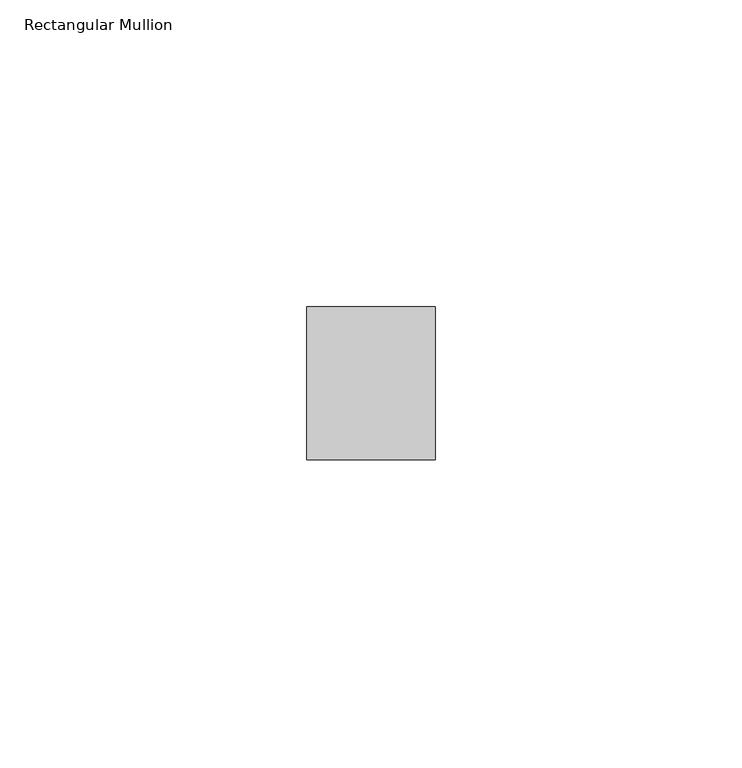
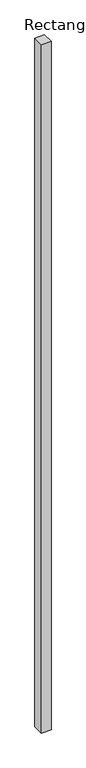
"""IFC4 building model written with IfcOpenShell, lengths in millimetres: member geometry, Rectangular Mullion."""

import ifcopenshell
import ifcopenshell.guid

model = None  # the IFC model being written
_history = None  # IfcOwnerHistory: only IFC2X3 demands one
_inside = {}  # id of a spatial element -> (the spatial element, [elements in it])
_under = {}  # id of a project, library or spatial element -> (it, [spatial elements below it])
_declared = {}  # id of a project -> (the project, [libraries it declares])
_typed = {}  # id of a type object -> (the type object, [elements of that type])
_made_of = {}  # id of a material, layer set ... -> (it, [elements and type objects made of it])


def new_model(schema):
    """Start an empty IFC model of exactly this schema.

    Asked for "IFC4X3", IfcOpenShell would pick the latest addendum, in which some entities
    have other attributes; the version numbers below select the first issue.
    IFC2X3 requires an IfcOwnerHistory on every rooted entity: one is made here for all.
    """
    global model, _history
    if schema == "IFC4X3":
        model = ifcopenshell.file(schema_version=(4, 3, 0, 0))
    else:
        model = ifcopenshell.file(schema=schema)
    _inside.clear()
    _under.clear()
    _declared.clear()
    _typed.clear()
    _made_of.clear()
    _history = None
    if model.schema == "IFC2X3":
        org = make("IfcOrganization", Name="unknown")
        user = make(
            "IfcPersonAndOrganization",
            ThePerson=make("IfcPerson", FamilyName="unknown"),
            TheOrganization=org,
        )
        app = make(
            "IfcApplication",
            ApplicationDeveloper=org,
            Version="unknown",
            ApplicationFullName="unknown",
            ApplicationIdentifier="unknown",
        )
        _history = make(
            "IfcOwnerHistory",
            OwningUser=user,
            OwningApplication=app,
            ChangeAction="ADDED",
            CreationDate=0,
        )
    return model


def make(cls, **values):
    """One entity of the class cls with the attributes given. An attribute that is None is left unset."""
    return model.create_entity(
        cls, **{name: value for name, value in values.items() if value is not None}
    )


def rooted(cls, **values):
    """An entity with a GlobalId (a new one), such as an element, a storey or a relation."""
    return make(cls, GlobalId=ifcopenshell.guid.new(), OwnerHistory=_history, **values)


def si_unit(unit_type, name, prefix=None):
    """IfcSIUnit, for example si_unit("LENGTHUNIT", "METRE", prefix="MILLI")."""
    return make("IfcSIUnit", UnitType=unit_type, Prefix=prefix, Name=name)


def assignment(units):
    """IfcUnitAssignment: the units of a project."""
    return None if units is None else make("IfcUnitAssignment", Units=units)


def point(xyz):
    """IfcCartesianPoint."""
    return None if xyz is None else make("IfcCartesianPoint", Coordinates=xyz)


def direction(xyz):
    """IfcDirection."""
    return None if xyz is None else make("IfcDirection", DirectionRatios=xyz)


def frame(location, z_axis=None, x_axis=None):
    """IfcAxis2Placement3D, a coordinate frame: its origin and axes. An axis left out is left unset."""
    return make(
        "IfcAxis2Placement3D",
        Location=point(location),
        Axis=direction(z_axis),
        RefDirection=direction(x_axis),
    )


def origin():
    """The frame at (0, 0, 0) with its axes left unset."""
    return frame((0.0, 0.0, 0.0))


def place(relative_to, where):
    """IfcLocalPlacement: puts the frame where relative to a parent placement (None: the world)."""
    return make(
        "IfcLocalPlacement", PlacementRelTo=relative_to, RelativePlacement=where
    )


def context(
    kind, dimensions, precision=None, world=None, true_north=None, identifier=None
):
    """IfcGeometricRepresentationContext, for example the 3D "Model" context."""
    return make(
        "IfcGeometricRepresentationContext",
        ContextIdentifier=identifier,
        ContextType=kind,
        CoordinateSpaceDimension=dimensions,
        Precision=precision,
        WorldCoordinateSystem=world,
        TrueNorth=true_north,
    )


def project(units=None, contexts=None):
    """IfcProject with its units and contexts."""
    return rooted(
        "IfcProject",
        Name="project",
        RepresentationContexts=contexts,
        UnitsInContext=assignment(units),
    )


def spatial(cls, under=None, at=None, **own):
    """A site, building, storey or space (cls), placed at a placement, below another one or the project."""
    s = rooted(cls, ObjectPlacement=at, **own)
    if under is not None:
        _under.setdefault(under.id(), (under, []))[1].append(s)
    return s


def polyline(points):
    """IfcPolyline through the points."""
    return make("IfcPolyline", Points=[point(p) for p in points])


def outline(outer, holes=None, kind="AREA"):
    """IfcArbitraryClosedProfileDef: a profile drawn as a closed curve; with holes, ...WithVoids."""
    if holes is None:
        return make("IfcArbitraryClosedProfileDef", ProfileType=kind, OuterCurve=outer)
    return make(
        "IfcArbitraryProfileDefWithVoids",
        ProfileType=kind,
        OuterCurve=outer,
        InnerCurves=holes,
    )


def extrude(swept, where, along, depth):
    """IfcExtrudedAreaSolid: the profile swept, set in the frame where, extruded along a direction by depth."""
    return make(
        "IfcExtrudedAreaSolid",
        SweptArea=swept,
        Position=where,
        ExtrudedDirection=direction(along),
        Depth=depth,
    )


def shape(context_of_items, identifier, shape_type, items):
    """IfcShapeRepresentation: the items that make up one representation, for example the "Body"."""
    return make(
        "IfcShapeRepresentation",
        ContextOfItems=context_of_items,
        RepresentationIdentifier=identifier,
        RepresentationType=shape_type,
        Items=items,
    )


def source(mapping_origin, context_of_items, identifier, shape_type, items):
    """IfcRepresentationMap: a shape defined once, which mapped items show again and again."""
    return make(
        "IfcRepresentationMap",
        MappingOrigin=mapping_origin,
        MappedRepresentation=shape(context_of_items, identifier, shape_type, items),
    )


def transform(
    local_origin,
    x_axis=None,
    y_axis=None,
    z_axis=None,
    scale=None,
    scale2=None,
    scale3=None,
    uniform=True,
):
    """IfcCartesianTransformationOperator3D, or its non-uniform kind. x_axis, y_axis, z_axis: its Axis1, 2, 3."""
    if uniform:
        return make(
            "IfcCartesianTransformationOperator3D",
            Axis1=direction(x_axis),
            Axis2=direction(y_axis),
            LocalOrigin=point(local_origin),
            Scale=scale,
            Axis3=direction(z_axis),
        )
    return make(
        "IfcCartesianTransformationOperator3DnonUniform",
        Axis1=direction(x_axis),
        Axis2=direction(y_axis),
        LocalOrigin=point(local_origin),
        Scale=scale,
        Axis3=direction(z_axis),
        Scale2=scale2,
        Scale3=scale3,
    )


def mapped(mapping_source, mapping_target):
    """IfcMappedItem: shows the shape of a source again, moved by a transform."""
    return make(
        "IfcMappedItem", MappingSource=mapping_source, MappingTarget=mapping_target
    )


def made_of(thing, what):
    """Note that an element or type object is made of a material, layer set ...; save() writes the relation."""
    if what is not None:
        _made_of.setdefault(what.id(), (what, []))[1].append(thing)
    return thing


def element(
    cls,
    number,
    at=None,
    inside=None,
    cuts=None,
    type_object=None,
    material=None,
    context=None,
    identifier="Body",
    shape_type=None,
    held_by="IfcProductDefinitionShape",
    body=None,
    shapes=None,
    **own,
):
    """One element of the class cls, such as IfcWall. Its Tag is "e" and its number.

    at: its placement. inside: the storey or other place that contains it. cuts: it is an
    opening in that element (IfcRelVoidsElement). A single representation is given by context,
    identifier, shape_type and body (its items); several are given by shapes. held_by: the class
    of the entity that holds the representations. save() writes the other relations.
    """
    e = rooted(cls, Tag="e%d" % number, ObjectPlacement=at, **own)
    if body is not None:
        shapes = [shape(context, identifier, shape_type, body)]
    if shapes is not None:
        e.Representation = make(held_by, Representations=shapes)
    if inside is not None:
        _inside.setdefault(inside.id(), (inside, []))[1].append(e)
    if cuts is not None:
        rooted(
            "IfcRelVoidsElement", RelatingBuildingElement=cuts, RelatedOpeningElement=e
        )
    if type_object is not None:
        _typed.setdefault(type_object.id(), (type_object, []))[1].append(e)
    return made_of(e, material)


def aggregate(whole, parts):
    """IfcRelAggregates: a whole, such as a stair, and the parts it consists of."""
    return rooted("IfcRelAggregates", RelatingObject=whole, RelatedObjects=parts)


def save(model, path):
    """Write the relations noted so far, then the file.

    IfcRelAggregates (storeys below a building ...), IfcRelContainedInSpatialStructure (elements
    in a storey), IfcRelDefinesByType, IfcRelAssociatesMaterial and IfcRelDeclares: one each for
    every whole, place, type object, material and project.
    """
    for whole, parts in _under.values():
        aggregate(whole, parts)
    for where, things in _inside.values():
        rooted(
            "IfcRelContainedInSpatialStructure",
            RelatedElements=things,
            RelatingStructure=where,
        )
    for kind, things in _typed.values():
        rooted("IfcRelDefinesByType", RelatedObjects=things, RelatingType=kind)
    for what, things in _made_of.values():
        rooted("IfcRelAssociatesMaterial", RelatedObjects=things, RelatingMaterial=what)
    for by, libraries in _declared.values():
        rooted("IfcRelDeclares", RelatingContext=by, RelatedDefinitions=libraries)
    model.write(path)


def rectangular_mullion_74dcf2b7(model_context):
    return source(origin(), model_context, "Body", "SweptSolid", [
        extrude(outline(polyline([(0.0, 12.5), (0.0, -12.5), (-21.0, -12.5), (-21.0, 12.5), (0.0, 12.5)])), frame((0.0, 0.0, -1600.0000001), z_axis=(0.0, 0.0, 1.0), x_axis=(1.0, 0.0, 0.0)), (0.0, 0.0, 1.0), 1600.0000001),
    ])


if __name__ == "__main__":
    model = new_model("IFC4")
    model_context = context("Model", 3, world=origin())
    ifc_project = project(units=[si_unit("LENGTHUNIT", "METRE", prefix="MILLI")], contexts=[model_context])
    site = spatial("IfcSite", under=ifc_project)
    building = spatial("IfcBuilding", under=site)
    placement = place(None, origin())
    rectangular_mullion_shape = rectangular_mullion_74dcf2b7(model_context)
    element("IfcMember", 1, ObjectType="Rectangular Mullion", at=placement, inside=building, context=model_context, shape_type="MappedRepresentation", body=[
        mapped(rectangular_mullion_shape, transform((0.0, 0.0, 0.0), x_axis=(1.0, 0.0, 0.0), y_axis=(0.0, 1.0, 0.0), z_axis=(0.0, 0.0, 1.0))),
    ])
    save(model, "model.ifc")
